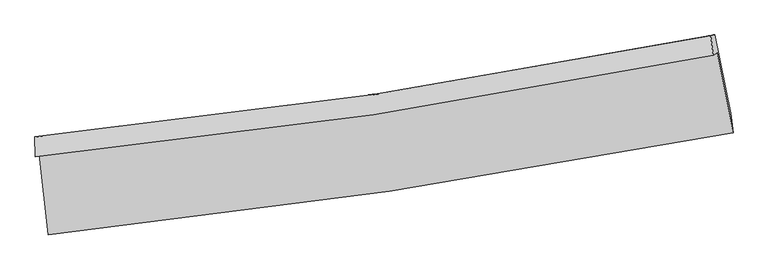
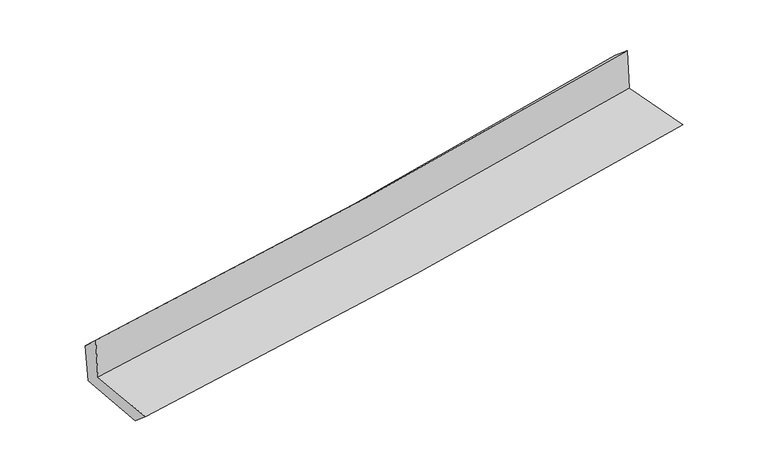
"""IFC4 building model written with IfcOpenShell, lengths in millimetres: proxy geometry."""

from ifc_helpers import new_model, si_unit, frame, origin, place, context, project, spatial, source, transform, mapped, element, save
from ifc_brep_helpers import plane_surface, spline_curve, spline_surface, advanced_brep


def generic_models_cb942da4(model_context):
    return source(origin(), model_context, "Body", "AdvancedBrep", [
        advanced_brep(
        [(-2834.5946657, -1900.8728899, 1664.2360519), (-2762.3764647, -2566.7636152, 1637.9560596), (2925.2005899, -1719.4096543, 2116.9945366), (2792.8069255, -1057.5418097, 2138.1498332), (-2867.0780417, -1920.043141, 2060.7126316), (2759.5079308, -1077.193403, 2544.5814657), (-2871.2745006, -1755.3505914, 1910.1574878), (2740.2208359, -915.9049343, 2407.8668715), (-2839.6143433, -1748.2194988, 1537.673731), (2773.2917179, -908.5289805, 2030.3846291), (-2767.1218187, -2407.9052133, 1500.7513619), (2904.3306506, -1558.6534365, 1998.7333054)],
        [
            (0, 1),
            (1, 2, spline_curve(3, [(-2762.3764647, -2566.7636152, 1637.9560596), (-1816.194670438, -2467.753836093, 1726.718616106), (-872.407347606, -2348.268439506, 1810.775923259), (1023.518984804, -2066.392735029, 1970.587690615), (1975.590679994, -1903.426811728, 2046.209875866), (2925.2005899, -1719.4096543, 2116.9945366)], [4, 2, 4], [0.0, 9.353992121350249, 18.83855389595885])),
            (2, 3),
            (3, 0, spline_curve(3, [(2792.8069255, -1057.5418097, 2138.1498332), (1854.635352833, -1245.300445909, 2068.121410721), (913.327562054, -1409.784239383, 1993.307722035), (-962.558723634, -1690.258182136, 1835.205615612), (-1897.051463382, -1806.884748457, 1752.048043566), (-2834.5946657, -1900.8728899, 1664.2360519)], [4, 2, 4], [0.0, 9.4845617746086, 18.83855389595885])),
            (4, 0),
            (3, 5),
            (5, 4, spline_curve(3, [(2759.5079308, -1077.193403, 2544.5814657), (1821.471339124, -1264.872379084, 2472.90552809), (880.299485043, -1429.275949096, 2396.432663992), (-995.314901749, -1709.589428988, 2235.011887493), (-1929.671704995, -1826.135771765, 2150.195140072), (-2867.0780417, -1920.043141, 2060.7126316)], [4, 2, 4], [0.0, 9.43503225462731, 18.740176706397342])),
            (6, 4),
            (5, 7),
            (7, 6, spline_curve(3, [(2740.2208359, -915.9049343, 2407.8668715), (1805.309259276, -1102.632597119, 2328.054095675), (866.964128315, -1266.276187805, 2246.371588158), (-1003.62820299, -1545.460205956, 2080.417334966), (-1935.781517483, -1661.631834174, 1996.196714819), (-2871.2745006, -1755.3505914, 1910.1574878)], [4, 2, 4], [0.0, 9.423195776945393, 18.716666698444623])),
            (8, 6),
            (7, 9),
            (9, 8, spline_curve(3, [(2773.2917179, -908.5289805, 2030.3846291), (1838.235525976, -1095.283840656, 1950.219016787), (899.69939287, -1258.961624792, 1868.78364852), (-971.364448319, -1538.227454337, 1704.511962762), (-1903.797002344, -1654.44650979, 1621.710365208), (-2839.6143433, -1748.2194988, 1537.673731)], [4, 2, 4], [0.0, 9.412241574416079, 18.694909094915886])),
            (10, 8),
            (9, 11),
            (11, 10, spline_curve(3, [(2904.3306506, -1558.6534365, 1998.7333054), (1958.437870908, -1744.165452983, 1917.794315357), (1009.574265446, -1908.033977119, 1835.52957426), (-880.991124041, -2190.526092087, 1669.499342073), (-1822.611675163, -2309.741493743, 1585.770102274), (-2767.1218187, -2407.9052133, 1500.7513619)], [4, 2, 4], [0.0, 9.462016956216146, 18.793774623446982])),
            (1, 10),
            (11, 2),
        ],
        [
            spline_surface(3, 3, [[(-2834.5946657, -1900.8728899, 1664.2360519), (-1897.051463351, -1806.884748575, 1752.048043599), (-962.558723701, -1690.2581821, 1835.205615464), (913.327562123, -1409.78423942, 1993.307722184), (1854.635352842, -1245.300445796, 2068.121410732), (2792.8069255, -1057.5418097, 2138.1498332)], [(-2810.521932029, -2122.836465007, 1655.476054469), (-1870.099199047, -2027.174444467, 1743.604901103), (-932.50826498, -1909.594934544, 1827.062384705), (950.058036304, -1628.653737976, 1985.734378373), (1894.953795201, -1464.675901048, 2060.817565821), (2836.938146954, -1278.164424552, 2131.098067678)], [(-2786.449198371, -2344.800040093, 1646.716057031), (-1843.146934755, -2247.464140338, 1735.161758601), (-902.457806226, -2128.931686996, 1818.919153915), (986.788510519, -1847.52323654, 1978.161034531), (1935.272237599, -1684.051356345, 2053.513720875), (2881.069368446, -1498.787039448, 2124.046302122)], [(-2762.3764647, -2566.7636152, 1637.9560596), (-1816.194670451, -2467.753836229, 1726.718616106), (-872.407347505, -2348.26843944, 1810.775923155), (1023.518984701, -2066.392735096, 1970.58769072), (1975.590679957, -1903.426811597, 2046.209875964), (2925.2005899, -1719.4096543, 2116.9945366)]], [4, 4], [4, 2, 4], [0.0, 2.1828329268331794], [0.0, 9.353992121350249, 18.83855389595885]),
            spline_surface(3, 3, [[(-2867.0780417, -1920.043141, 2060.7126316), (-1929.671705008, -1826.135771729, 2150.195140165), (-995.31490175, -1709.589428994, 2235.011887502), (880.299485044, -1429.27594909, 2396.432663982), (1821.471339272, -1264.872379206, 2472.905528002), (2759.5079308, -1077.193403, 2544.5814657)], [(-2856.25024971, -1913.653057287, 1928.553771697), (-1918.798291133, -1819.718763998, 2017.479441307), (-984.396175723, -1703.145680037, 2101.743130157), (891.308844081, -1422.77871254, 2262.057683383), (1832.52601046, -1258.34840143, 2337.977488916), (2770.607595698, -1070.642871927, 2409.10425487)], [(-2845.42245769, -1907.262973613, 1796.394911803), (-1907.924877226, -1813.301756305, 1884.763742457), (-973.477449728, -1696.701931057, 1968.47437281), (902.318203086, -1416.281475969, 2127.682702783), (1843.580681654, -1251.824423572, 2203.049449819), (2781.707260602, -1064.092340773, 2273.62704403)], [(-2834.5946657, -1900.8728899, 1664.2360519), (-1897.051463351, -1806.884748575, 1752.048043599), (-962.558723701, -1690.2581821, 1835.205615464), (913.327562123, -1409.78423942, 1993.307722184), (1854.635352842, -1245.300445796, 2068.121410732), (2792.8069255, -1057.5418097, 2138.1498332)]], [4, 4], [4, 2, 4], [0.0, 1.3231671069056001], [0.0, 9.305144451770031, 18.740176706397342]),
            spline_surface(3, 3, [[(-2871.2745006, -1755.3505914, 1910.1574878), (-1935.781517463, -1661.63183416, 1996.196714702), (-1003.628202902, -1545.46020589, 2080.417335039), (866.964128226, -1266.276187872, 2246.371588084), (1805.309259197, -1102.632597133, 2328.054095654), (2740.2208359, -915.9049343, 2407.8668715)], [(-2869.875680975, -1810.248107928, 1960.342535712), (-1933.74491332, -1716.466480012, 2047.529523168), (-1000.857102509, -1600.169946936, 2131.948852522), (871.409247175, -1320.609441623, 2296.391946711), (1810.696619236, -1156.712524474, 2376.337906423), (2746.649867548, -969.667757183, 2453.438402886)], [(-2868.476861325, -1865.145624472, 2010.527583688), (-1931.708309151, -1771.301125878, 2098.862331699), (-998.086002143, -1654.879687948, 2183.48037002), (875.854366096, -1374.94269534, 2346.412305355), (1816.083979232, -1210.792451865, 2424.621717234), (2753.078899152, -1023.430580117, 2499.009934314)], [(-2867.0780417, -1920.043141, 2060.7126316), (-1929.671705008, -1826.135771729, 2150.195140165), (-995.31490175, -1709.589428994, 2235.011887502), (880.299485044, -1429.27594909, 2396.432663982), (1821.471339272, -1264.872379206, 2472.905528002), (2759.5079308, -1077.193403, 2544.5814657)]], [4, 4], [4, 2, 4], [0.0, 0.7340783749453794], [0.0, 9.29347092149923, 18.716666698444623]),
            spline_surface(3, 3, [[(-2839.6143433, -1748.2194988, 1537.673731), (-1903.797002289, -1654.446509807, 1621.710365183), (-971.36444827, -1538.227454411, 1704.511962791), (899.69939282, -1258.961624716, 1868.783648491), (1838.235525873, -1095.283840664, 1950.219016934), (2773.2917179, -908.5289805, 2030.3846291)], [(-2850.167729068, -1750.596529679, 1661.834983271), (-1914.458507348, -1656.841617937, 1746.539148361), (-982.119033135, -1540.638371553, 1829.813753546), (888.787637967, -1261.399812417, 1994.646295028), (1827.260103634, -1097.733426146, 2076.164043184), (2762.268090553, -910.987631759, 2156.212043243)], [(-2860.721114832, -1752.973560521, 1785.996235529), (-1925.120012404, -1659.236726031, 1871.367931524), (-992.873618036, -1543.049288748, 1955.115544283), (877.875883079, -1263.838000171, 2120.508941547), (1816.284681436, -1100.183011651, 2202.109069404), (2751.244463247, -913.446283041, 2282.039457357)], [(-2871.2745006, -1755.3505914, 1910.1574878), (-1935.781517463, -1661.63183416, 1996.196714702), (-1003.628202902, -1545.46020589, 2080.417335039), (866.964128226, -1266.276187872, 2246.371588084), (1805.309259197, -1102.632597133, 2328.054095654), (2740.2208359, -915.9049343, 2407.8668715)]], [4, 4], [4, 2, 4], [0.0, 1.2409041682664992], [0.0, 9.282667520499807, 18.694909094915886]),
            spline_surface(3, 3, [[(-2767.1218187, -2407.9052133, 1500.7513619), (-1822.61167509, -2309.741493893, 1585.77010215), (-880.991124003, -2190.526092175, 1669.499342203), (1009.574265408, -1908.03397703, 1835.529574128), (1958.43787077, -1744.165453109, 1917.794315265), (2904.3306506, -1558.6534365, 1998.7333054)], [(-2791.285993549, -2188.009975153, 1513.058818273), (-1849.673450805, -2091.30983255, 1597.750189835), (-911.115565441, -1973.093212912, 1681.170215729), (972.949307863, -1691.676526251, 1846.614265579), (1918.370422493, -1527.871582301, 1928.602549164), (2860.651006389, -1341.945284507, 2009.283746643)], [(-2815.450168451, -1968.114736947, 1525.366274627), (-1876.735226574, -1872.87817115, 1609.730277499), (-941.240006832, -1755.660333674, 1692.841089265), (936.324350365, -1475.319075496, 1857.69895704), (1878.30297415, -1311.577711472, 1939.410783035), (2816.971362111, -1125.237132493, 2019.834187857)], [(-2839.6143433, -1748.2194988, 1537.673731), (-1903.797002289, -1654.446509807, 1621.710365183), (-971.36444827, -1538.227454411, 1704.511962791), (899.69939282, -1258.961624716, 1868.783648491), (1838.235525873, -1095.283840664, 1950.219016934), (2773.2917179, -908.5289805, 2030.3846291)]], [4, 4], [4, 2, 4], [0.0, 2.1628150804011925], [0.0, 9.331757667230836, 18.793774623446982]),
            spline_surface(3, 3, [[(-2762.3764647, -2566.7636152, 1637.9560596), (-1816.194670451, -2467.753836229, 1726.718616106), (-872.407347505, -2348.26843944, 1810.775923155), (1023.518984701, -2066.392735096, 1970.58769072), (1975.590679957, -1903.426811597, 2046.209875964), (2925.2005899, -1719.4096543, 2116.9945366)], [(-2763.958249369, -2513.810814546, 1592.221160378), (-1818.333671999, -2415.08305543, 1679.735778131), (-875.268606343, -2295.687657029, 1763.683729497), (1018.870744932, -2013.606482418, 1925.568318515), (1969.873076887, -1850.339692106, 2003.404689044), (2918.243943459, -1665.824248372, 2077.574126179)], [(-2765.540034031, -2460.858013954, 1546.486261122), (-1820.472673542, -2362.412274692, 1632.752940124), (-878.129865165, -2243.106874586, 1716.591535861), (1014.222505178, -1960.820229709, 1880.548946333), (1964.15547384, -1797.2525726, 1960.599502185), (2911.287297041, -1612.238842428, 2038.153715821)], [(-2767.1218187, -2407.9052133, 1500.7513619), (-1822.61167509, -2309.741493893, 1585.77010215), (-880.991124003, -2190.526092175, 1669.499342203), (1009.574265408, -1908.03397703, 1835.529574128), (1958.43787077, -1744.165453109, 1917.794315265), (2904.3306506, -1558.6534365, 1998.7333054)]], [4, 4], [4, 2, 4], [0.0, 0.6896575800908838], [0.0, 9.39140480393113, 18.913901493866657]),
            plane_surface(frame((2815.8931084, -1206.2053697, 2206.1184403), z_axis=(0.9771963206953339, 0.19261224112509626, 0.08937491475951197), x_axis=(-0.08725828483334509, -0.019461624119432887, 0.9959956008510162))),
            plane_surface(frame((-2823.6766391, -2049.8591583, 1718.5812206), z_axis=(-0.9908279880513393, -0.1040564395201806, -0.08620995005518894), x_axis=(-0.10773838245124812, 0.9934059368684427, 0.039205682513129))),
        ],
        [
            (0, [[1, 2, 3, 4]]),
            (1, [[5, -4, 6, 7]]),
            (2, [[8, -7, 9, 10]]),
            (3, [[11, -10, 12, 13]]),
            (4, [[14, -13, 15, 16]]),
            (5, [[17, -16, 18, -2]]),
            (6, [[-12, -9, -6, -3, -18, -15]]),
            (7, [[-1, -5, -8, -11, -14, -17]]),
        ],
    ),
    ])


if __name__ == "__main__":
    model = new_model("IFC4")
    model_context = context("Model", 3, world=origin())
    ifc_project = project(units=[si_unit("LENGTHUNIT", "METRE", prefix="MILLI")], contexts=[model_context])
    site = spatial("IfcSite", under=ifc_project)
    building = spatial("IfcBuilding", under=site)
    placement = place(None, origin())
    generic_models_shape = generic_models_cb942da4(model_context)
    element("IfcBuildingElementProxy", 1, Name="Generic Models", at=placement, inside=building, context=model_context, shape_type="MappedRepresentation", body=[
        mapped(generic_models_shape, transform((0.0, 0.0, 0.0), x_axis=(1.0, 0.0, 0.0), y_axis=(0.0, 1.0, 0.0), z_axis=(0.0, 0.0, 1.0))),
    ])
    save(model, "model.ifc")
